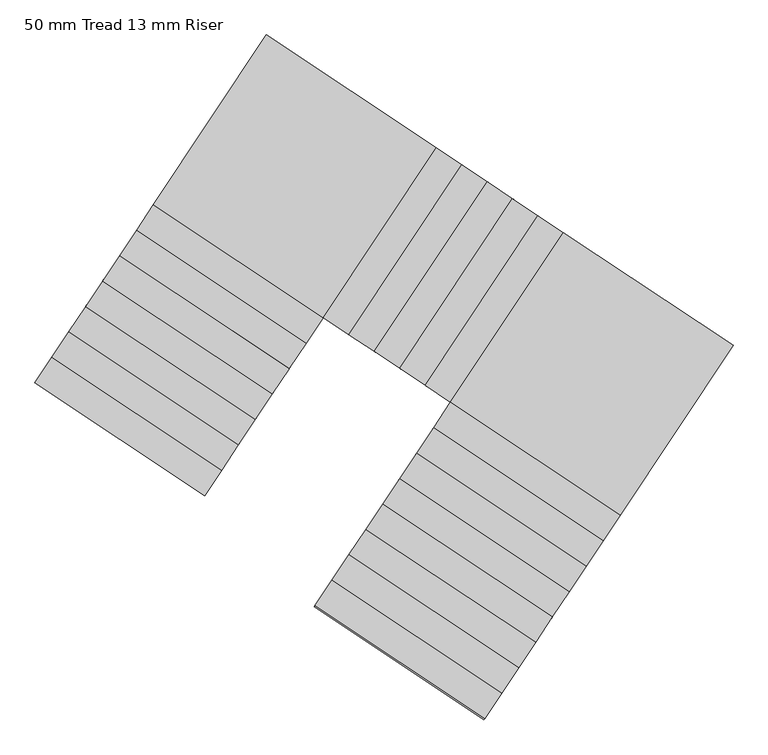
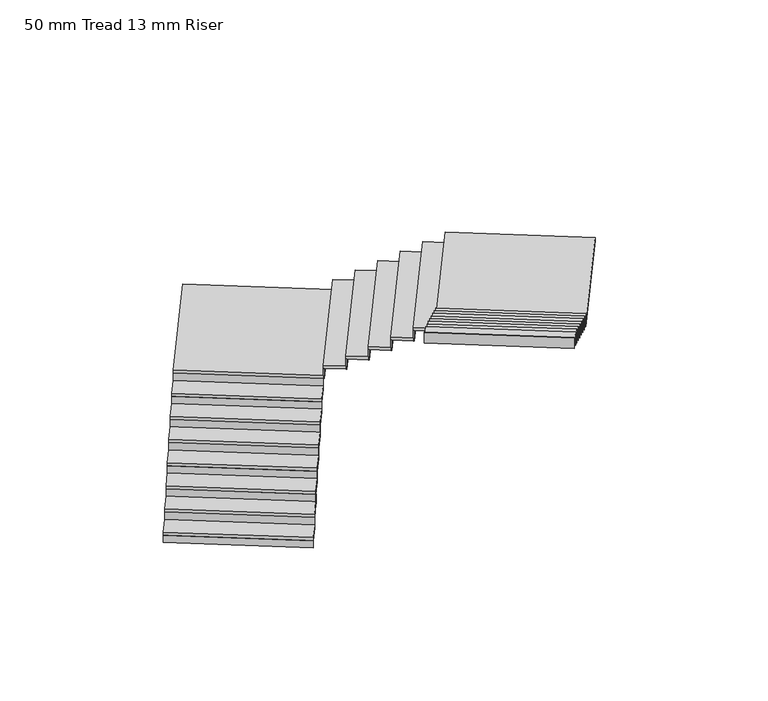
"""IFC4 building model written with IfcOpenShell, lengths in millimetres: stair flight geometry, 50 mm Tread 13 mm Riser."""

from ifc_helpers import new_model, si_unit, frame, origin, place, context, project, spatial, polyline, outline, extrude, source, transform, mapped, element, save


def stair_flight_50_mm_tread_13_mm_riser_012a455e(model_context):
    return source(origin(), model_context, "Body", "SweptSolid", [
        extrude(outline(polyline([(-240424.517887, 66996.0655594), (-240431.4416342, 66985.6582675), (-242096.6083378, 68093.4578203), (-242089.6845906, 68103.8651122), (-240424.517887, 66996.0655594)])), frame((0.0, 0.0, 8680.0), z_axis=(0.0, 0.0, 1.0), x_axis=(1.0, 0.0, 0.0)), (0.0, 0.0, 1.0), 116.6666667),
        extrude(outline(polyline([(-241930.4384049, 68343.2328258), (-240265.2717013, 67235.4332731), (-240431.4416342, 66985.6582675), (-242096.6083378, 68093.4578203), (-241930.4384049, 68343.2328258)])), frame((0.0, 0.0, 8796.6666667), z_axis=(0.0, 0.0, 1.0), x_axis=(1.0, 0.0, 0.0)), (0.0, 0.0, 1.0), 50.0),
        extrude(outline(polyline([(-240258.3479541, 67245.840565), (-240265.2717013, 67235.4332731), (-241930.4384049, 68343.2328258), (-241923.5146577, 68353.6401177), (-240258.3479541, 67245.840565)])), frame((0.0, 0.0, 8796.6666667), z_axis=(0.0, 0.0, 1.0), x_axis=(1.0, 0.0, 0.0)), (0.0, 0.0, 1.0), 166.6666667),
        extrude(outline(polyline([(-241764.268472, 68593.0078314), (-240099.1017684, 67485.2082786), (-240265.2717013, 67235.4332731), (-241930.4384049, 68343.2328258), (-241764.268472, 68593.0078314)])), frame((0.0, 0.0, 8963.3333333), z_axis=(0.0, 0.0, 1.0), x_axis=(1.0, 0.0, 0.0)), (0.0, 0.0, 1.0), 50.0),
        extrude(outline(polyline([(-240092.1780212, 67495.6155705), (-240099.1017684, 67485.2082786), (-241764.268472, 68593.0078314), (-241757.3447248, 68603.4151233), (-240092.1780212, 67495.6155705)])), frame((0.0, 0.0, 8963.3333333), z_axis=(0.0, 0.0, 1.0), x_axis=(1.0, 0.0, 0.0)), (0.0, 0.0, 1.0), 166.6666667),
        extrude(outline(polyline([(-241598.0985391, 68842.7828369), (-239932.9318355, 67734.9832842), (-240099.1017684, 67485.2082786), (-241764.268472, 68593.0078314), (-241598.0985391, 68842.7828369)])), frame((0.0, 0.0, 9130.0), z_axis=(0.0, 0.0, 1.0), x_axis=(1.0, 0.0, 0.0)), (0.0, 0.0, 1.0), 50.0),
        extrude(outline(polyline([(-239926.0080883, 67745.3905761), (-239932.9318355, 67734.9832842), (-241598.0985391, 68842.7828369), (-241591.1747919, 68853.1901288), (-239926.0080883, 67745.3905761)])), frame((0.0, 0.0, 9130.0), z_axis=(0.0, 0.0, 1.0), x_axis=(1.0, 0.0, 0.0)), (0.0, 0.0, 1.0), 166.6666667),
        extrude(outline(polyline([(-241431.9286062, 69092.5578425), (-239766.7619025, 67984.7582897), (-239932.9318355, 67734.9832842), (-241598.0985391, 68842.7828369), (-241431.9286062, 69092.5578425)])), frame((0.0, 0.0, 9296.6666667), z_axis=(0.0, 0.0, 1.0), x_axis=(1.0, 0.0, 0.0)), (0.0, 0.0, 1.0), 50.0),
        extrude(outline(polyline([(-239759.8381553, 67995.1655816), (-239766.7619025, 67984.7582897), (-241431.9286062, 69092.5578425), (-241425.004859, 69102.9651344), (-239759.8381553, 67995.1655816)])), frame((0.0, 0.0, 9296.6666667), z_axis=(0.0, 0.0, 1.0), x_axis=(1.0, 0.0, 0.0)), (0.0, 0.0, 1.0), 166.6666667),
        extrude(outline(polyline([(-241265.7586733, 69342.332848), (-239600.5919696, 68234.5332953), (-239766.7619025, 67984.7582897), (-241431.9286062, 69092.5578425), (-241265.7586733, 69342.332848)])), frame((0.0, 0.0, 9463.3333333), z_axis=(0.0, 0.0, 1.0), x_axis=(1.0, 0.0, 0.0)), (0.0, 0.0, 1.0), 50.0),
        extrude(outline(polyline([(-239593.6682224, 68244.9405872), (-239600.5919696, 68234.5332953), (-241265.7586733, 69342.332848), (-241258.8349261, 69352.7401399), (-239593.6682224, 68244.9405872)])), frame((0.0, 0.0, 9463.3333333), z_axis=(0.0, 0.0, 1.0), x_axis=(1.0, 0.0, 0.0)), (0.0, 0.0, 1.0), 166.6666667),
        extrude(outline(polyline([(-241099.5887404, 69592.1078536), (-239434.4220367, 68484.3083008), (-239600.5919696, 68234.5332953), (-241265.7586733, 69342.332848), (-241099.5887404, 69592.1078536)])), frame((0.0, 0.0, 9630.0), z_axis=(0.0, 0.0, 1.0), x_axis=(1.0, 0.0, 0.0)), (0.0, 0.0, 1.0), 50.0),
        extrude(outline(polyline([(-239427.4982895, 68494.7155927), (-239434.4220367, 68484.3083008), (-241099.5887404, 69592.1078536), (-241092.6649932, 69602.5151455), (-239427.4982895, 68494.7155927)])), frame((0.0, 0.0, 9630.0), z_axis=(0.0, 0.0, 1.0), x_axis=(1.0, 0.0, 0.0)), (0.0, 0.0, 1.0), 166.6666667),
        extrude(outline(polyline([(-240933.4188075, 69841.8828591), (-239268.2521038, 68734.0833064), (-239434.4220367, 68484.3083008), (-241099.5887404, 69592.1078536), (-240933.4188075, 69841.8828591)])), frame((0.0, 0.0, 9796.6666667), z_axis=(0.0, 0.0, 1.0), x_axis=(1.0, 0.0, 0.0)), (0.0, 0.0, 1.0), 50.0),
        extrude(outline(polyline([(-239261.3283566, 68744.4905983), (-239268.2521038, 68734.0833064), (-240933.4188075, 69841.8828591), (-240926.4950603, 69852.290151), (-239261.3283566, 68744.4905983)])), frame((0.0, 0.0, 9796.6666667), z_axis=(0.0, 0.0, 1.0), x_axis=(1.0, 0.0, 0.0)), (0.0, 0.0, 1.0), 166.6666667),
        extrude(outline(polyline([(-238160.4525511, 70399.25001), (-239268.2521038, 68734.0833064), (-240933.4188075, 69841.8828591), (-239825.6192547, 71507.0495628), (-238160.4525511, 70399.25001)])), frame((0.0, 0.0, 9963.3333333), z_axis=(0.0, 0.0, 1.0), x_axis=(1.0, 0.0, 0.0)), (0.0, 0.0, 1.0), 50.0),
        extrude(outline(polyline([(-239257.8448119, 68727.1595592), (-239268.2521038, 68734.0833064), (-238160.4525511, 70399.25001), (-238150.0452592, 70392.3262628), (-239257.8448119, 68727.1595592)])), frame((0.0, 0.0, 9963.3333333), z_axis=(0.0, 0.0, 1.0), x_axis=(1.0, 0.0, 0.0)), (0.0, 0.0, 1.0), 166.6666667),
        extrude(outline(polyline([(-237910.6775455, 70233.0800771), (-239018.4770983, 68567.9133735), (-239268.2521038, 68734.0833064), (-238160.4525511, 70399.25001), (-237910.6775455, 70233.0800771)])), frame((0.0, 0.0, 10130.0), z_axis=(0.0, 0.0, 1.0), x_axis=(1.0, 0.0, 0.0)), (0.0, 0.0, 1.0), 50.0),
        extrude(outline(polyline([(-239008.0698064, 68560.9896263), (-239018.4770983, 68567.9133735), (-237910.6775455, 70233.0800771), (-237900.2702536, 70226.1563299), (-239008.0698064, 68560.9896263)])), frame((0.0, 0.0, 10130.0), z_axis=(0.0, 0.0, 1.0), x_axis=(1.0, 0.0, 0.0)), (0.0, 0.0, 1.0), 166.6666667),
        extrude(outline(polyline([(-237660.90254, 70066.9101442), (-238768.7020927, 68401.7434406), (-239018.4770983, 68567.9133735), (-237910.6775455, 70233.0800771), (-237660.90254, 70066.9101442)])), frame((0.0, 0.0, 10296.6666667), z_axis=(0.0, 0.0, 1.0), x_axis=(1.0, 0.0, 0.0)), (0.0, 0.0, 1.0), 50.0),
        extrude(outline(polyline([(-238758.2948008, 68394.8196934), (-238768.7020927, 68401.7434406), (-237660.90254, 70066.9101442), (-237650.4952481, 70059.986397), (-238758.2948008, 68394.8196934)])), frame((0.0, 0.0, 10296.6666667), z_axis=(0.0, 0.0, 1.0), x_axis=(1.0, 0.0, 0.0)), (0.0, 0.0, 1.0), 166.6666667),
        extrude(outline(polyline([(-237411.1275344, 69900.7402113), (-238518.9270872, 68235.5735076), (-238768.7020927, 68401.7434406), (-237660.90254, 70066.9101442), (-237411.1275344, 69900.7402113)])), frame((0.0, 0.0, 10463.3333333), z_axis=(0.0, 0.0, 1.0), x_axis=(1.0, 0.0, 0.0)), (0.0, 0.0, 1.0), 50.0),
        extrude(outline(polyline([(-238508.5197953, 68228.6497604), (-238518.9270872, 68235.5735076), (-237411.1275344, 69900.7402113), (-237400.7202425, 69893.8164641), (-238508.5197953, 68228.6497604)])), frame((0.0, 0.0, 10463.3333333), z_axis=(0.0, 0.0, 1.0), x_axis=(1.0, 0.0, 0.0)), (0.0, 0.0, 1.0), 166.6666667),
        extrude(outline(polyline([(-237161.3525289, 69734.5702784), (-238269.1520816, 68069.4035747), (-238518.9270872, 68235.5735076), (-237411.1275344, 69900.7402113), (-237161.3525289, 69734.5702784)])), frame((0.0, 0.0, 10630.0), z_axis=(0.0, 0.0, 1.0), x_axis=(1.0, 0.0, 0.0)), (0.0, 0.0, 1.0), 50.0),
        extrude(outline(polyline([(-238258.7447897, 68062.4798275), (-238269.1520816, 68069.4035747), (-237161.3525289, 69734.5702784), (-237150.945237, 69727.6465312), (-238258.7447897, 68062.4798275)])), frame((0.0, 0.0, 10630.0), z_axis=(0.0, 0.0, 1.0), x_axis=(1.0, 0.0, 0.0)), (0.0, 0.0, 1.0), 166.6666667),
        extrude(outline(polyline([(-236911.5775233, 69568.4003455), (-238019.3770761, 67903.2336418), (-238269.1520816, 68069.4035747), (-237161.3525289, 69734.5702784), (-236911.5775233, 69568.4003455)])), frame((0.0, 0.0, 10796.6666667), z_axis=(0.0, 0.0, 1.0), x_axis=(1.0, 0.0, 0.0)), (0.0, 0.0, 1.0), 50.0),
        extrude(outline(polyline([(-238008.9697842, 67896.3098946), (-238019.3770761, 67903.2336418), (-236911.5775233, 69568.4003455), (-236901.1702314, 69561.4765983), (-238008.9697842, 67896.3098946)])), frame((0.0, 0.0, 10796.6666667), z_axis=(0.0, 0.0, 1.0), x_axis=(1.0, 0.0, 0.0)), (0.0, 0.0, 1.0), 166.6666667),
        extrude(outline(polyline([(-236354.2103724, 66795.4340891), (-238019.3770761, 67903.2336418), (-236911.5775233, 69568.4003455), (-235246.4108197, 68460.6007927), (-236354.2103724, 66795.4340891)])), frame((0.0, 0.0, 10963.3333333), z_axis=(0.0, 0.0, 1.0), x_axis=(1.0, 0.0, 0.0)), (0.0, 0.0, 1.0), 50.0),
        extrude(outline(polyline([(-238026.3008233, 67892.8263499), (-238019.3770761, 67903.2336418), (-236354.2103724, 66795.4340891), (-236361.1341196, 66785.0267972), (-238026.3008233, 67892.8263499)])), frame((0.0, 0.0, 10963.3333333), z_axis=(0.0, 0.0, 1.0), x_axis=(1.0, 0.0, 0.0)), (0.0, 0.0, 1.0), 166.6666667),
        extrude(outline(polyline([(-236520.3803053, 66545.6590835), (-238185.547009, 67653.4586363), (-238019.3770761, 67903.2336418), (-236354.2103724, 66795.4340891), (-236520.3803053, 66545.6590835)])), frame((0.0, 0.0, 11130.0), z_axis=(0.0, 0.0, 1.0), x_axis=(1.0, 0.0, 0.0)), (0.0, 0.0, 1.0), 50.0),
        extrude(outline(polyline([(-238192.4707562, 67643.0513444), (-238185.547009, 67653.4586363), (-236520.3803053, 66545.6590835), (-236527.3040525, 66535.2517916), (-238192.4707562, 67643.0513444)])), frame((0.0, 0.0, 11130.0), z_axis=(0.0, 0.0, 1.0), x_axis=(1.0, 0.0, 0.0)), (0.0, 0.0, 1.0), 166.6666667),
        extrude(outline(polyline([(-236686.5502382, 66295.884078), (-238351.7169419, 67403.6836307), (-238185.547009, 67653.4586363), (-236520.3803053, 66545.6590835), (-236686.5502382, 66295.884078)])), frame((0.0, 0.0, 11296.6666667), z_axis=(0.0, 0.0, 1.0), x_axis=(1.0, 0.0, 0.0)), (0.0, 0.0, 1.0), 50.0),
        extrude(outline(polyline([(-238358.6406891, 67393.2763388), (-238351.7169419, 67403.6836307), (-236686.5502382, 66295.884078), (-236693.4739854, 66285.4767861), (-238358.6406891, 67393.2763388)])), frame((0.0, 0.0, 11296.6666667), z_axis=(0.0, 0.0, 1.0), x_axis=(1.0, 0.0, 0.0)), (0.0, 0.0, 1.0), 166.6666667),
        extrude(outline(polyline([(-236852.7201712, 66046.1090724), (-238517.8868748, 67153.9086252), (-238351.7169419, 67403.6836307), (-236686.5502382, 66295.884078), (-236852.7201712, 66046.1090724)])), frame((0.0, 0.0, 11463.3333333), z_axis=(0.0, 0.0, 1.0), x_axis=(1.0, 0.0, 0.0)), (0.0, 0.0, 1.0), 50.0),
        extrude(outline(polyline([(-238524.810622, 67143.5013333), (-238517.8868748, 67153.9086252), (-236852.7201712, 66046.1090724), (-236859.6439184, 66035.7017805), (-238524.810622, 67143.5013333)])), frame((0.0, 0.0, 11463.3333333), z_axis=(0.0, 0.0, 1.0), x_axis=(1.0, 0.0, 0.0)), (0.0, 0.0, 1.0), 166.6666667),
        extrude(outline(polyline([(-237018.8901041, 65796.3340669), (-238684.0568077, 66904.1336196), (-238517.8868748, 67153.9086252), (-236852.7201712, 66046.1090724), (-237018.8901041, 65796.3340669)])), frame((0.0, 0.0, 11630.0), z_axis=(0.0, 0.0, 1.0), x_axis=(1.0, 0.0, 0.0)), (0.0, 0.0, 1.0), 50.0),
        extrude(outline(polyline([(-238690.9805549, 66893.7263277), (-238684.0568077, 66904.1336196), (-237018.8901041, 65796.3340669), (-237025.8138513, 65785.926775), (-238690.9805549, 66893.7263277)])), frame((0.0, 0.0, 11630.0), z_axis=(0.0, 0.0, 1.0), x_axis=(1.0, 0.0, 0.0)), (0.0, 0.0, 1.0), 166.6666667),
        extrude(outline(polyline([(-237185.060037, 65546.5590614), (-238850.2267406, 66654.3586141), (-238684.0568077, 66904.1336196), (-237018.8901041, 65796.3340669), (-237185.060037, 65546.5590614)])), frame((0.0, 0.0, 11796.6666667), z_axis=(0.0, 0.0, 1.0), x_axis=(1.0, 0.0, 0.0)), (0.0, 0.0, 1.0), 50.0),
        extrude(outline(polyline([(-238857.1504878, 66643.9513222), (-238850.2267406, 66654.3586141), (-237185.060037, 65546.5590613), (-237191.9837842, 65536.1517694), (-238857.1504878, 66643.9513222)])), frame((0.0, 0.0, 11796.6666667), z_axis=(0.0, 0.0, 1.0), x_axis=(1.0, 0.0, 0.0)), (0.0, 0.0, 1.0), 166.6666667),
        extrude(outline(polyline([(-237351.2299699, 65296.7840558), (-239016.3966735, 66404.5836085), (-238850.2267406, 66654.3586141), (-237185.060037, 65546.5590613), (-237351.2299699, 65296.7840558)])), frame((0.0, 0.0, 11963.3333333), z_axis=(0.0, 0.0, 1.0), x_axis=(1.0, 0.0, 0.0)), (0.0, 0.0, 1.0), 50.0),
        extrude(outline(polyline([(-239023.3204207, 66394.1763166), (-239016.3966735, 66404.5836085), (-237351.2299699, 65296.7840558), (-237358.1537171, 65286.3767639), (-239023.3204207, 66394.1763166)])), frame((0.0, 0.0, 11963.3333333), z_axis=(0.0, 0.0, 1.0), x_axis=(1.0, 0.0, 0.0)), (0.0, 0.0, 1.0), 166.6666667),
        extrude(outline(polyline([(-237517.3999028, 65047.0090503), (-239182.5666064, 66154.808603), (-239016.3966735, 66404.5836085), (-237351.2299699, 65296.7840558), (-237517.3999028, 65047.0090503)])), frame((0.0, 0.0, 12130.0), z_axis=(0.0, 0.0, 1.0), x_axis=(1.0, 0.0, 0.0)), (0.0, 0.0, 1.0), 50.0),
        extrude(outline(polyline([(-239189.4903537, 66144.4013111), (-239182.5666064, 66154.808603), (-237517.3999028, 65047.0090502), (-237524.32365, 65036.6017584), (-239189.4903537, 66144.4013111)])), frame((0.0, 0.0, 12130.0), z_axis=(0.0, 0.0, 1.0), x_axis=(1.0, 0.0, 0.0)), (0.0, 0.0, 1.0), 166.6666667),
        extrude(outline(polyline([(-239355.6602866, 65894.6263055), (-239348.7365394, 65905.0335974), (-237683.5698357, 64797.2340447), (-237690.4935829, 64786.8267528), (-239355.6602866, 65894.6263055)])), frame((0.0, 0.0, 12296.6666667), z_axis=(0.0, 0.0, 1.0), x_axis=(1.0, 0.0, 0.0)), (0.0, 0.0, 1.0), 166.6666667),
        extrude(outline(polyline([(-237683.5698357, 64797.2340447), (-239348.7365394, 65905.0335974), (-239182.5666064, 66154.808603), (-237517.3999028, 65047.0090502), (-237683.5698357, 64797.2340447)])), frame((0.0, 0.0, 12296.6666667), z_axis=(0.0, 0.0, 1.0), x_axis=(1.0, 0.0, 0.0)), (0.0, 0.0, 1.0), 50.0),
    ])


if __name__ == "__main__":
    model = new_model("IFC4")
    model_context = context("Model", 3, world=origin())
    ifc_project = project(units=[si_unit("LENGTHUNIT", "METRE", prefix="MILLI")], contexts=[model_context])
    site = spatial("IfcSite", under=ifc_project)
    building = spatial("IfcBuilding", under=site)
    placement = place(None, origin())
    stair_flight_50_mm_tread_13_mm_riser_shape = stair_flight_50_mm_tread_13_mm_riser_012a455e(model_context)
    element("IfcStairFlight", 1, ObjectType="50 mm Tread 13 mm Riser", at=placement, inside=building, context=model_context, shape_type="MappedRepresentation", body=[
        mapped(stair_flight_50_mm_tread_13_mm_riser_shape, transform((0.0, 0.0, 0.0), x_axis=(1.0, 0.0, 0.0), y_axis=(0.0, 1.0, 0.0), z_axis=(0.0, 0.0, 1.0))),
    ])
    save(model, "model.ifc")
